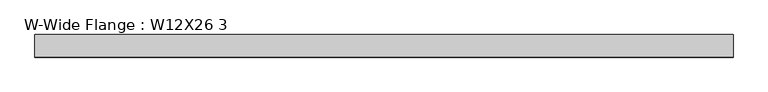
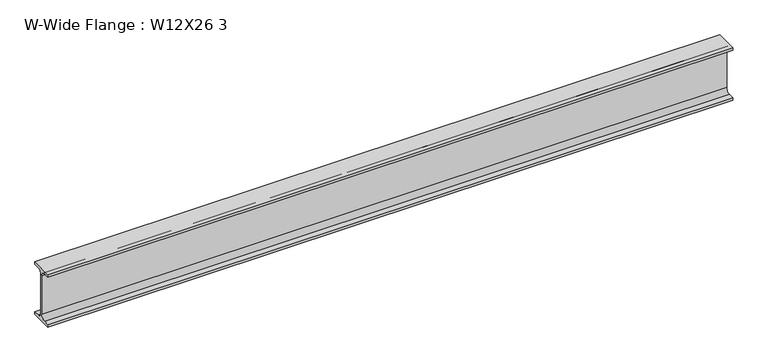
"""IFC4 building model written with IfcOpenShell, lengths in millimetres: beam geometry, W-Wide Flange : W12X26 3."""

from ifc_helpers import new_model, si_unit, point, frame, frame_2d, origin, place, context, project, spatial, polyline, circle_curve, trimmed, segment, composite_curve, outline, extrude, source, transform, mapped, element, save


def w_wide_flange_w12x26_3_e82405b5(model_context):
    return source(origin(), model_context, "Body", "SweptSolid", [
        extrude(outline(composite_curve([segment(polyline([(40.0, -90.3757813), (40.0, -100.0), (-40.0, -100.0), (-40.0, -90.3757813), (-20.2902344, -90.3757813)]), True, "CONTINUOUS"), segment(trimmed(circle_curve(frame_2d((-20.2902344, -73.0125)), 17.3632813), [point((-20.2902344, -90.3757813))], [point((-2.9269531, -73.0125))], True, "CARTESIAN"), True, "CONTINUOUS"), segment(polyline([(-2.9269531, -73.0125), (-2.9269531, 73.0125)]), True, "CONTINUOUS"), segment(trimmed(circle_curve(frame_2d((-20.2902344, 73.0125)), 17.3632812), [point((-2.9269531, 73.0125))], [point((-20.2902344, 90.3757812))], True, "CARTESIAN"), True, "CONTINUOUS"), segment(polyline([(-20.2902344, 90.3757812), (-40.0, 90.3757812), (-40.0, 100.0), (40.0, 100.0), (40.0, 90.3757812), (20.2902344, 90.3757812)]), True, "CONTINUOUS"), segment(trimmed(circle_curve(frame_2d((20.2902344, 73.0125)), 17.3632812), [point((20.2902344, 90.3757812))], [point((2.9269531, 73.0125))], True, "CARTESIAN"), True, "CONTINUOUS"), segment(polyline([(2.9269531, 73.0125), (2.9269531, -73.0125)]), True, "CONTINUOUS"), segment(trimmed(circle_curve(frame_2d((20.2902344, -73.0125)), 17.3632812), [point((2.9269531, -73.0125))], [point((20.2902344, -90.3757813))], True, "CARTESIAN"), True, "CONTINUOUS"), segment(polyline([(20.2902344, -90.3757813), (40.0, -90.3757813)]), True, "CONTINUOUS")], self_intersect=False)), frame((-1210.0, 0.0, 0.0), z_axis=(1.0, 0.0, 0.0), x_axis=(0.0, 1.0, 0.0)), (0.0, 0.0, 1.0), 2472.7),
    ])


if __name__ == "__main__":
    model = new_model("IFC4")
    model_context = context("Model", 3, world=origin())
    ifc_project = project(units=[si_unit("LENGTHUNIT", "METRE", prefix="MILLI")], contexts=[model_context])
    site = spatial("IfcSite", under=ifc_project)
    building = spatial("IfcBuilding", under=site)
    placement = place(None, origin())
    w_wide_flange_w12x26_3_shape = w_wide_flange_w12x26_3_e82405b5(model_context)
    element("IfcBeam", 1, ObjectType="W-Wide Flange : W12X26 3", at=placement, inside=building, context=model_context, shape_type="MappedRepresentation", body=[
        mapped(w_wide_flange_w12x26_3_shape, transform((0.0, 0.0, 0.0), x_axis=(1.0, 0.0, 0.0), y_axis=(0.0, 1.0, 0.0), z_axis=(0.0, 0.0, 1.0))),
    ])
    save(model, "model.ifc")
